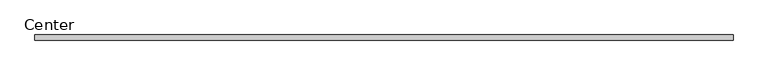
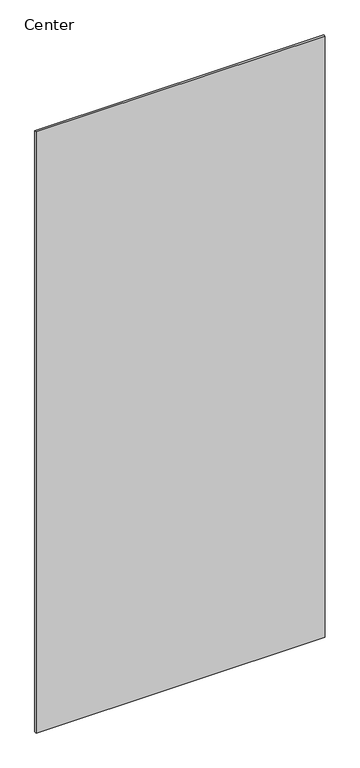
"""IFC4 building model written with IfcOpenShell, lengths in millimetres: plate geometry, Center."""

from ifc_helpers import new_model, si_unit, frame, origin, place, context, project, spatial, polyline, outline, extrude, source, transform, mapped, element, save


def center_ccf10fce(model_context):
    return source(origin(), model_context, "Body", "SweptSolid", [
        extrude(outline(polyline([(609.6, 4.7625), (609.6, -4.7625), (-609.6, -4.7625), (-609.6, 4.7625), (609.6, 4.7625)])), frame((0.0, 0.0, 31.75), z_axis=(0.0, 0.0, 1.0), x_axis=(1.0, 0.0, 0.0)), (0.0, 0.0, 1.0), 2679.7),
    ])


if __name__ == "__main__":
    model = new_model("IFC4")
    model_context = context("Model", 3, world=origin())
    ifc_project = project(units=[si_unit("LENGTHUNIT", "METRE", prefix="MILLI")], contexts=[model_context])
    site = spatial("IfcSite", under=ifc_project)
    building = spatial("IfcBuilding", under=site)
    placement = place(None, origin())
    center_shape = center_ccf10fce(model_context)
    element("IfcPlate", 1, ObjectType="Center", at=placement, inside=building, context=model_context, shape_type="MappedRepresentation", body=[
        mapped(center_shape, transform((0.0, 0.0, 0.0), x_axis=(1.0, 0.0, 0.0), y_axis=(0.0, 1.0, 0.0), z_axis=(0.0, 0.0, 1.0))),
    ])
    save(model, "model.ifc")
